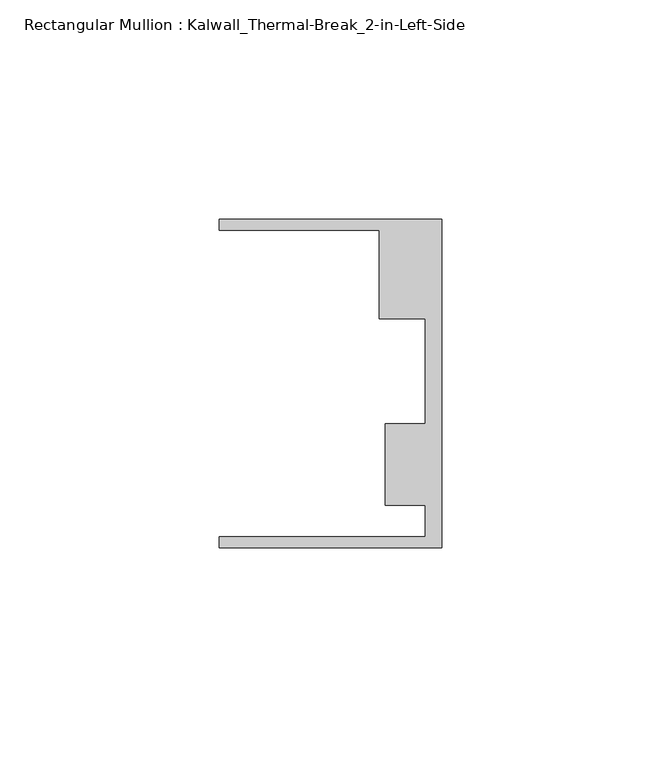
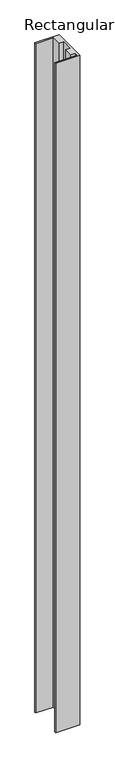
"""IFC4 building model written with IfcOpenShell, lengths in millimetres: member geometry, Rectangular Mullion : Kalwall_Thermal-Break_2-in-Left-Side."""

from ifc_helpers import new_model, si_unit, frame, origin, place, context, project, spatial, polyline, outline, extrude, source, transform, mapped, element, save


def rectangular_mullion_kalwall_thermal_break_2_in_left_side_30bde0b4(model_context):
    return source(origin(), model_context, "Body", "SweptSolid", [
        extrude(outline(polyline([(0.0, -37.5776386), (-50.8, -37.5776386), (-50.8, -35.0376386), (-3.7084, -35.0376386), (-3.7084, -27.8888568), (-12.8272539, -27.8888568), (-12.8272539, -9.1879886), (-3.7084, -9.1879886), (-3.7084, 14.7439614), (-14.1732, 14.7439614), (-14.1732, 34.9623614), (-50.8, 34.9623614), (-50.8, 37.5023614), (0.0, 37.5023614), (0.0, -37.5776386)])), frame((0.0, 0.0, -1489.002), z_axis=(0.0, 0.0, 1.0), x_axis=(1.0, 0.0, 0.0)), (0.0, 0.0, 1.0), 1489.002),
    ])


if __name__ == "__main__":
    model = new_model("IFC4")
    model_context = context("Model", 3, world=origin())
    ifc_project = project(units=[si_unit("LENGTHUNIT", "METRE", prefix="MILLI")], contexts=[model_context])
    site = spatial("IfcSite", under=ifc_project)
    building = spatial("IfcBuilding", under=site)
    placement = place(None, origin())
    rectangular_mullion_kalwall_thermal_break_2_in_left_side_shape = rectangular_mullion_kalwall_thermal_break_2_in_left_side_30bde0b4(model_context)
    element("IfcMember", 1, ObjectType="Rectangular Mullion : Kalwall_Thermal-Break_2-in-Left-Side", at=placement, inside=building, context=model_context, shape_type="MappedRepresentation", body=[
        mapped(rectangular_mullion_kalwall_thermal_break_2_in_left_side_shape, transform((0.0, 0.0, 0.0), x_axis=(1.0, 0.0, 0.0), y_axis=(0.0, 1.0, 0.0), z_axis=(0.0, 0.0, 1.0))),
    ])
    save(model, "model.ifc")
